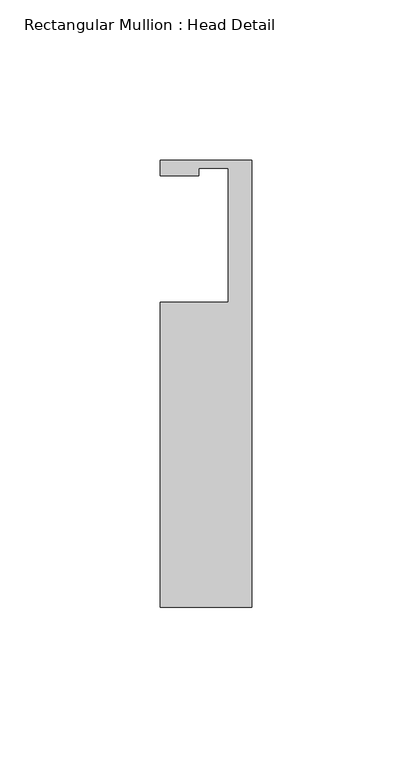
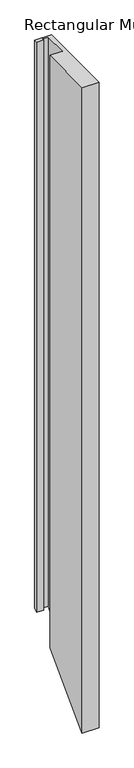
"""IFC4 building model written with IfcOpenShell, lengths in millimetres: member geometry, Rectangular Mullion : Head Detail."""

from ifc_helpers import new_model, si_unit, origin, place, context, project, spatial, faceted_brep, source, transform, mapped, element, save


def rectangular_mullion_head_detail_672d59a6(model_context):
    return source(origin(), model_context, "Body", "Brep", [
        faceted_brep([(-28.575, -19.05, 0.0), (-28.575, -114.3, 0.0), (0.0, -114.3, 0.0), (0.0, 25.4, 0.0), (-28.575, 25.4, 0.0), (-28.575, 20.5232, 0.0), (-16.4846, 20.5232, 0.0), (-16.4846, 22.86, 0.0), (-7.3152, 22.86, 0.0), (-7.3152, -19.05, 0.0), (-28.575, -19.05, -1063.9053898), (-28.575, -114.3, -1159.1553898), (0.0, -114.3, -1159.1553898), (0.0, 25.4, -1019.4553898), (-28.575, 25.4, -1019.4553898), (-28.575, 20.5232, -1024.3321898), (-16.4846, 20.5232, -1024.3321898), (-16.4846, 22.86, -1021.9953898), (-7.3152, 22.86, -1021.9953898), (-7.3152, -19.05, -1063.9053898)], [[[0, 1, 2, 3, 4, 5, 6, 7, 8, 9]], [[1, 0, 10, 11]], [[2, 1, 11, 12]], [[3, 2, 12, 13]], [[4, 3, 13, 14]], [[5, 4, 14, 15]], [[6, 5, 15, 16]], [[7, 6, 16, 17]], [[8, 7, 17, 18]], [[9, 8, 18, 19]], [[0, 9, 19, 10]], [[10, 19, 18, 17, 16, 15, 14, 13, 12, 11]]]),
    ])


if __name__ == "__main__":
    model = new_model("IFC4")
    model_context = context("Model", 3, world=origin())
    ifc_project = project(units=[si_unit("LENGTHUNIT", "METRE", prefix="MILLI")], contexts=[model_context])
    site = spatial("IfcSite", under=ifc_project)
    building = spatial("IfcBuilding", under=site)
    placement = place(None, origin())
    rectangular_mullion_head_detail_shape = rectangular_mullion_head_detail_672d59a6(model_context)
    element("IfcMember", 1, ObjectType="Rectangular Mullion : Head Detail", at=placement, inside=building, context=model_context, shape_type="MappedRepresentation", body=[
        mapped(rectangular_mullion_head_detail_shape, transform((0.0, 0.0, 0.0), x_axis=(1.0, 0.0, 0.0), y_axis=(0.0, 1.0, 0.0), z_axis=(0.0, 0.0, 1.0))),
    ])
    save(model, "model.ifc")
